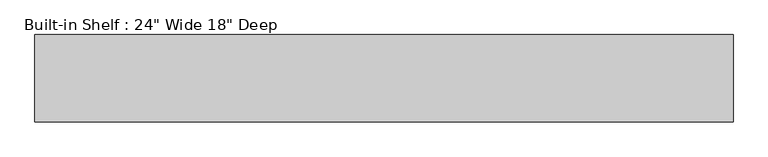
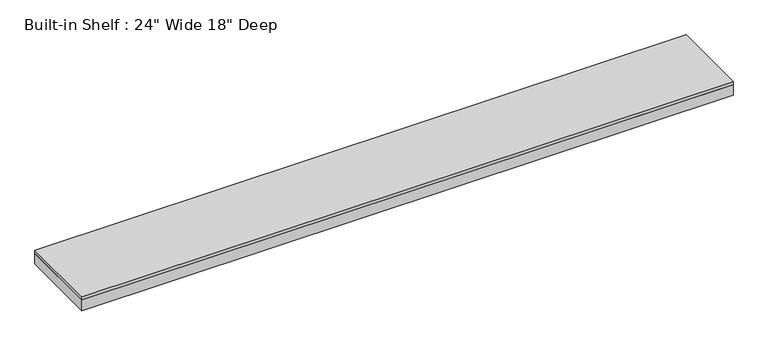
"""IFC4 building model written with IfcOpenShell, lengths in millimetres: furniture geometry."""

from ifc_helpers import new_model, si_unit, frame, origin, place, context, project, spatial, polyline, outline, extrude, source, transform, mapped, element, save


def furniture_1371f17b(model_context):
    return source(origin(), model_context, "Body", "SweptSolid", [
        extrude(outline(polyline([(1829.7839879, 554.0375), (1829.7839879, 96.8375), (-1829.7839879, 96.8375), (-1829.7839879, 554.0375), (1829.7839879, 554.0375)])), frame((0.0, 0.0, 2114.55), z_axis=(0.0, 0.0, 1.0), x_axis=(1.0, 0.0, 0.0)), (0.0, 0.0, 1.0), 19.05),
        extrude(outline(polyline([(1829.7839879, 96.8375), (-1829.7839879, 96.8375), (-1829.7839879, 554.0375), (-1810.7339879, 554.0375), (-1810.7339879, 115.8875), (1810.7339879, 115.8875), (1810.7339879, 554.0375), (1829.7839879, 554.0375), (1829.7839879, 96.8375)])), frame((0.0, 0.0, 2051.05), z_axis=(0.0, 0.0, 1.0), x_axis=(1.0, 0.0, 0.0)), (0.0, 0.0, 1.0), 63.5),
    ])


if __name__ == "__main__":
    model = new_model("IFC4")
    model_context = context("Model", 3, world=origin())
    ifc_project = project(units=[si_unit("LENGTHUNIT", "METRE", prefix="MILLI")], contexts=[model_context])
    site = spatial("IfcSite", under=ifc_project)
    building = spatial("IfcBuilding", under=site)
    placement = place(None, origin())
    furniture_shape = furniture_1371f17b(model_context)
    element("IfcFurniture", 1, ObjectType="Built-in Shelf : 24\" Wide 18\" Deep", at=placement, inside=building, context=model_context, shape_type="MappedRepresentation", body=[
        mapped(furniture_shape, transform((0.0, 0.0, 0.0), x_axis=(1.0, 0.0, 0.0), y_axis=(0.0, 1.0, 0.0), z_axis=(0.0, 0.0, 1.0))),
    ])
    save(model, "model.ifc")
